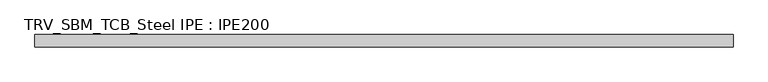
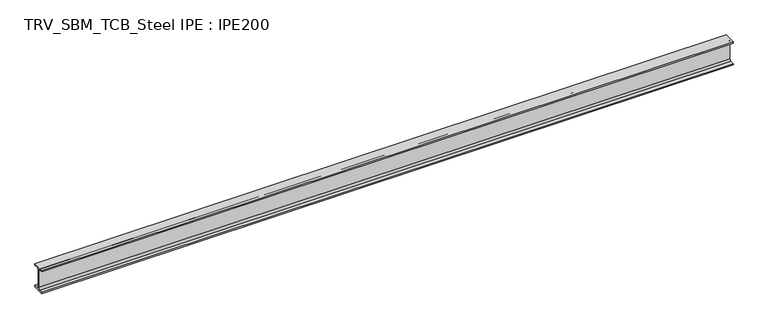
"""IFC4 building model written with IfcOpenShell, lengths in millimetres: beam geometry, TRV_SBM_TCB_Steel IPE : IPE200."""

from ifc_helpers import new_model, si_unit, point, frame, frame_2d, origin, place, context, project, spatial, polyline, circle_curve, trimmed, segment, composite_curve, outline, extrude, source, transform, mapped, element, save


def trv_sbm_tcb_steel_ipe_ipe200_bb37df6e(model_context):
    return source(origin(), model_context, "Body", "SweptSolid", [
        extrude(outline(composite_curve([segment(polyline([(50.0, -89.3), (50.0, -100.0), (-50.0, -100.0), (-50.0, -89.3), (-18.55, -89.3)]), True, "CONTINUOUS"), segment(trimmed(circle_curve(frame_2d((-18.55, -74.3)), 15.0), [point((-18.55, -89.3))], [point((-3.55, -74.3))], True, "CARTESIAN"), True, "CONTINUOUS"), segment(polyline([(-3.55, -74.3), (-3.55, 74.3)]), True, "CONTINUOUS"), segment(trimmed(circle_curve(frame_2d((-18.55, 74.3)), 15.0), [point((-3.55, 74.3))], [point((-18.55, 89.3))], True, "CARTESIAN"), True, "CONTINUOUS"), segment(polyline([(-18.55, 89.3), (-50.0, 89.3), (-50.0, 100.0), (50.0, 100.0), (50.0, 89.3), (18.55, 89.3)]), True, "CONTINUOUS"), segment(trimmed(circle_curve(frame_2d((18.55, 74.3)), 15.0), [point((18.55, 89.3))], [point((3.55, 74.3))], True, "CARTESIAN"), True, "CONTINUOUS"), segment(polyline([(3.55, 74.3), (3.55, -74.3)]), True, "CONTINUOUS"), segment(trimmed(circle_curve(frame_2d((18.55, -74.3)), 15.0), [point((3.55, -74.3))], [point((18.55, -89.3))], True, "CARTESIAN"), True, "CONTINUOUS"), segment(polyline([(18.55, -89.3), (50.0, -89.3)]), True, "CONTINUOUS")], self_intersect=False)), frame((-2847.5, 0.0, 0.0), z_axis=(1.0, 0.0, 0.0), x_axis=(0.0, 1.0, 0.0)), (0.0, 0.0, 1.0), 5715.0),
    ])


if __name__ == "__main__":
    model = new_model("IFC4")
    model_context = context("Model", 3, world=origin())
    ifc_project = project(units=[si_unit("LENGTHUNIT", "METRE", prefix="MILLI")], contexts=[model_context])
    site = spatial("IfcSite", under=ifc_project)
    building = spatial("IfcBuilding", under=site)
    placement = place(None, origin())
    trv_sbm_tcb_steel_ipe_ipe200_shape = trv_sbm_tcb_steel_ipe_ipe200_bb37df6e(model_context)
    element("IfcBeam", 1, ObjectType="TRV_SBM_TCB_Steel IPE : IPE200", at=placement, inside=building, context=model_context, shape_type="MappedRepresentation", body=[
        mapped(trv_sbm_tcb_steel_ipe_ipe200_shape, transform((0.0, 0.0, 0.0), x_axis=(1.0, 0.0, 0.0), y_axis=(0.0, 1.0, 0.0), z_axis=(0.0, 0.0, 1.0))),
    ])
    save(model, "model.ifc")
